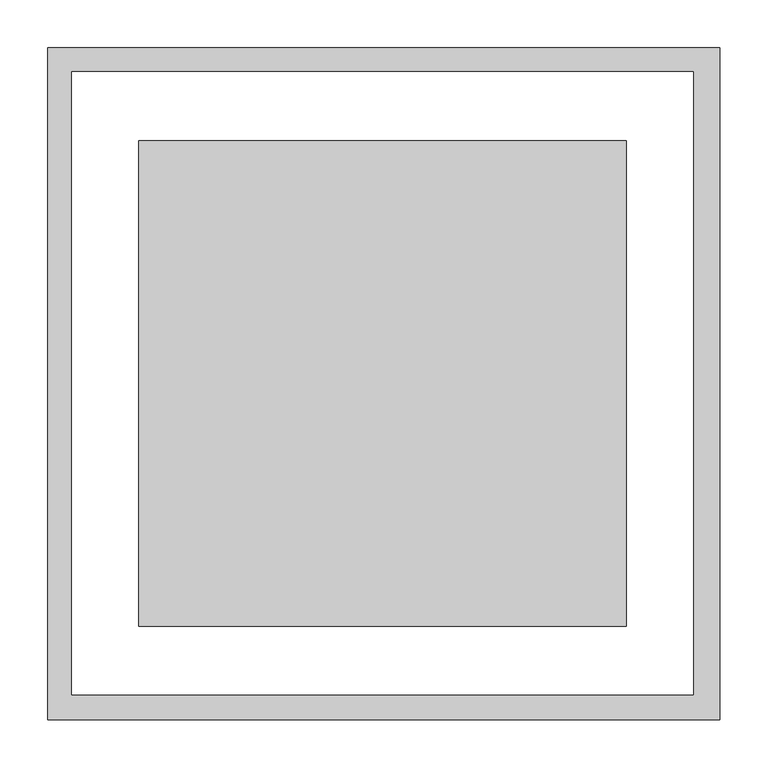
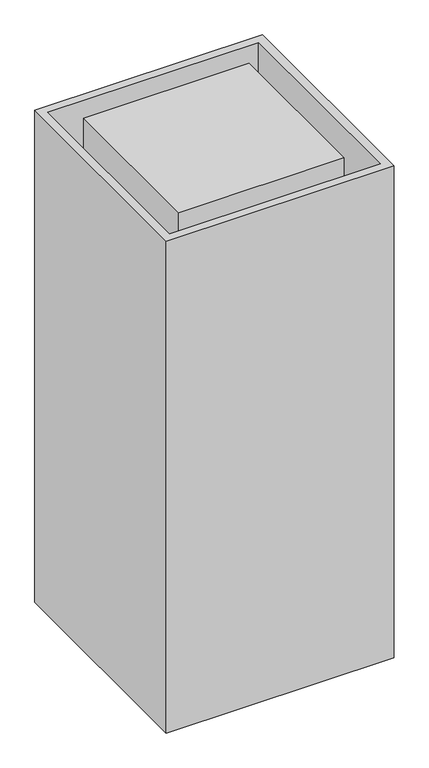
"""IFC4 building model written with IfcOpenShell, lengths in millimetres: proxy geometry."""

from ifc_helpers import new_model, si_unit, origin, origin_with_axes, place, context, project, spatial, polyline, outline, extrude, source, transform, mapped, element, save


def generic_models_541335df(model_context):
    return source(origin(), model_context, "Body", "SweptSolid", [
        extrude(outline(polyline([(147.5696509, 2965.182855), (147.5696509, 2265.182855), (-552.4303491, 2265.182855), (-552.4303491, 2965.182855), (147.5696509, 2965.182855)]), holes=[polyline([(120.1043787, 2940.182855), (-527.8303491, 2940.182855), (-527.8303491, 2291.191898), (120.1043787, 2291.191898), (120.1043787, 2940.182855)])]), origin_with_axes(), (0.0, 0.0, 1.0), 1597.9537828),
        extrude(outline(polyline([(-457.8303491, 2362.682855), (-457.8303491, 2868.691898), (50.1043787, 2868.691898), (50.1043787, 2362.682855), (-457.8303491, 2362.682855)])), origin_with_axes(), (0.0, 0.0, 1.0), 1597.9537828),
    ])


if __name__ == "__main__":
    model = new_model("IFC4")
    model_context = context("Model", 3, world=origin())
    ifc_project = project(units=[si_unit("LENGTHUNIT", "METRE", prefix="MILLI")], contexts=[model_context])
    site = spatial("IfcSite", under=ifc_project)
    building = spatial("IfcBuilding", under=site)
    placement = place(None, origin())
    generic_models_shape = generic_models_541335df(model_context)
    element("IfcBuildingElementProxy", 1, Name="Generic Models", at=placement, inside=building, context=model_context, shape_type="MappedRepresentation", body=[
        mapped(generic_models_shape, transform((0.0, 0.0, 0.0), x_axis=(1.0, 0.0, 0.0), y_axis=(0.0, 1.0, 0.0), z_axis=(0.0, 0.0, 1.0))),
    ])
    save(model, "model.ifc")
